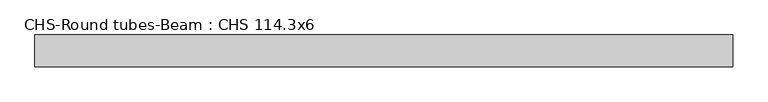
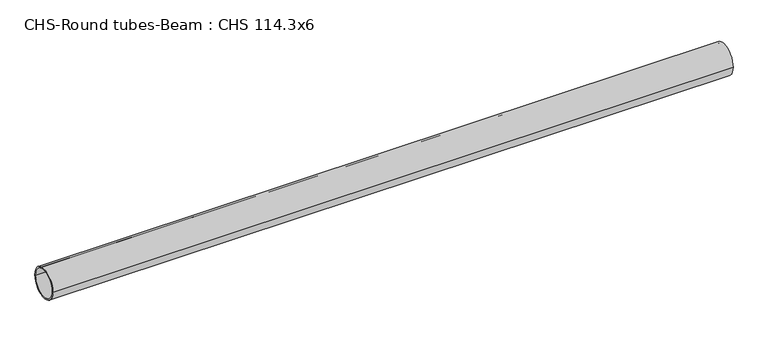
"""IFC4 building model written with IfcOpenShell, lengths in millimetres: beam geometry, CHS-Round tubes-Beam : CHS 114.3x6."""

import ifcopenshell
import ifcopenshell.guid

model = None  # the IFC model being written
_history = None  # IfcOwnerHistory: only IFC2X3 demands one
_inside = {}  # id of a spatial element -> (the spatial element, [elements in it])
_under = {}  # id of a project, library or spatial element -> (it, [spatial elements below it])
_declared = {}  # id of a project -> (the project, [libraries it declares])
_typed = {}  # id of a type object -> (the type object, [elements of that type])
_made_of = {}  # id of a material, layer set ... -> (it, [elements and type objects made of it])


def new_model(schema):
    """Start an empty IFC model of exactly this schema.

    Asked for "IFC4X3", IfcOpenShell would pick the latest addendum, in which some entities
    have other attributes; the version numbers below select the first issue.
    IFC2X3 requires an IfcOwnerHistory on every rooted entity: one is made here for all.
    """
    global model, _history
    if schema == "IFC4X3":
        model = ifcopenshell.file(schema_version=(4, 3, 0, 0))
    else:
        model = ifcopenshell.file(schema=schema)
    _inside.clear()
    _under.clear()
    _declared.clear()
    _typed.clear()
    _made_of.clear()
    _history = None
    if model.schema == "IFC2X3":
        org = make("IfcOrganization", Name="unknown")
        user = make(
            "IfcPersonAndOrganization",
            ThePerson=make("IfcPerson", FamilyName="unknown"),
            TheOrganization=org,
        )
        app = make(
            "IfcApplication",
            ApplicationDeveloper=org,
            Version="unknown",
            ApplicationFullName="unknown",
            ApplicationIdentifier="unknown",
        )
        _history = make(
            "IfcOwnerHistory",
            OwningUser=user,
            OwningApplication=app,
            ChangeAction="ADDED",
            CreationDate=0,
        )
    return model


def make(cls, **values):
    """One entity of the class cls with the attributes given. An attribute that is None is left unset."""
    return model.create_entity(
        cls, **{name: value for name, value in values.items() if value is not None}
    )


def rooted(cls, **values):
    """An entity with a GlobalId (a new one), such as an element, a storey or a relation."""
    return make(cls, GlobalId=ifcopenshell.guid.new(), OwnerHistory=_history, **values)


def si_unit(unit_type, name, prefix=None):
    """IfcSIUnit, for example si_unit("LENGTHUNIT", "METRE", prefix="MILLI")."""
    return make("IfcSIUnit", UnitType=unit_type, Prefix=prefix, Name=name)


def assignment(units):
    """IfcUnitAssignment: the units of a project."""
    return None if units is None else make("IfcUnitAssignment", Units=units)


def point(xyz):
    """IfcCartesianPoint."""
    return None if xyz is None else make("IfcCartesianPoint", Coordinates=xyz)


def direction(xyz):
    """IfcDirection."""
    return None if xyz is None else make("IfcDirection", DirectionRatios=xyz)


def frame(location, z_axis=None, x_axis=None):
    """IfcAxis2Placement3D, a coordinate frame: its origin and axes. An axis left out is left unset."""
    return make(
        "IfcAxis2Placement3D",
        Location=point(location),
        Axis=direction(z_axis),
        RefDirection=direction(x_axis),
    )


def frame_2d(location, x_axis=None):
    """IfcAxis2Placement2D, a coordinate frame in the plane: its origin and x axis."""
    return make(
        "IfcAxis2Placement2D", Location=point(location), RefDirection=direction(x_axis)
    )


def origin():
    """The frame at (0, 0, 0) with its axes left unset."""
    return frame((0.0, 0.0, 0.0))


def origin_2d():
    """The frame at (0, 0) in the plane with its x axis left unset."""
    return frame_2d((0.0, 0.0))


def place(relative_to, where):
    """IfcLocalPlacement: puts the frame where relative to a parent placement (None: the world)."""
    return make(
        "IfcLocalPlacement", PlacementRelTo=relative_to, RelativePlacement=where
    )


def context(
    kind, dimensions, precision=None, world=None, true_north=None, identifier=None
):
    """IfcGeometricRepresentationContext, for example the 3D "Model" context."""
    return make(
        "IfcGeometricRepresentationContext",
        ContextIdentifier=identifier,
        ContextType=kind,
        CoordinateSpaceDimension=dimensions,
        Precision=precision,
        WorldCoordinateSystem=world,
        TrueNorth=true_north,
    )


def project(units=None, contexts=None):
    """IfcProject with its units and contexts."""
    return rooted(
        "IfcProject",
        Name="project",
        RepresentationContexts=contexts,
        UnitsInContext=assignment(units),
    )


def spatial(cls, under=None, at=None, **own):
    """A site, building, storey or space (cls), placed at a placement, below another one or the project."""
    s = rooted(cls, ObjectPlacement=at, **own)
    if under is not None:
        _under.setdefault(under.id(), (under, []))[1].append(s)
    return s


def circle_curve(where, radius):
    """IfcCircle in the frame where."""
    return make("IfcCircle", Position=where, Radius=radius)


def trimmed(basis, trim1, trim2, sense, master):
    """IfcTrimmedCurve: the piece of a basis curve between two trims."""
    return make(
        "IfcTrimmedCurve",
        BasisCurve=basis,
        Trim1=trim1,
        Trim2=trim2,
        SenseAgreement=sense,
        MasterRepresentation=master,
    )


def segment(curve, same_sense, transition):
    """IfcCompositeCurveSegment."""
    return make(
        "IfcCompositeCurveSegment",
        Transition=transition,
        SameSense=same_sense,
        ParentCurve=curve,
    )


def composite_curve(segments, self_intersect=None):
    """IfcCompositeCurve: segments joined end to end."""
    return make("IfcCompositeCurve", Segments=segments, SelfIntersect=self_intersect)


def outline(outer, holes=None, kind="AREA"):
    """IfcArbitraryClosedProfileDef: a profile drawn as a closed curve; with holes, ...WithVoids."""
    if holes is None:
        return make("IfcArbitraryClosedProfileDef", ProfileType=kind, OuterCurve=outer)
    return make(
        "IfcArbitraryProfileDefWithVoids",
        ProfileType=kind,
        OuterCurve=outer,
        InnerCurves=holes,
    )


def extrude(swept, where, along, depth):
    """IfcExtrudedAreaSolid: the profile swept, set in the frame where, extruded along a direction by depth."""
    return make(
        "IfcExtrudedAreaSolid",
        SweptArea=swept,
        Position=where,
        ExtrudedDirection=direction(along),
        Depth=depth,
    )


def shape(context_of_items, identifier, shape_type, items):
    """IfcShapeRepresentation: the items that make up one representation, for example the "Body"."""
    return make(
        "IfcShapeRepresentation",
        ContextOfItems=context_of_items,
        RepresentationIdentifier=identifier,
        RepresentationType=shape_type,
        Items=items,
    )


def source(mapping_origin, context_of_items, identifier, shape_type, items):
    """IfcRepresentationMap: a shape defined once, which mapped items show again and again."""
    return make(
        "IfcRepresentationMap",
        MappingOrigin=mapping_origin,
        MappedRepresentation=shape(context_of_items, identifier, shape_type, items),
    )


def transform(
    local_origin,
    x_axis=None,
    y_axis=None,
    z_axis=None,
    scale=None,
    scale2=None,
    scale3=None,
    uniform=True,
):
    """IfcCartesianTransformationOperator3D, or its non-uniform kind. x_axis, y_axis, z_axis: its Axis1, 2, 3."""
    if uniform:
        return make(
            "IfcCartesianTransformationOperator3D",
            Axis1=direction(x_axis),
            Axis2=direction(y_axis),
            LocalOrigin=point(local_origin),
            Scale=scale,
            Axis3=direction(z_axis),
        )
    return make(
        "IfcCartesianTransformationOperator3DnonUniform",
        Axis1=direction(x_axis),
        Axis2=direction(y_axis),
        LocalOrigin=point(local_origin),
        Scale=scale,
        Axis3=direction(z_axis),
        Scale2=scale2,
        Scale3=scale3,
    )


def mapped(mapping_source, mapping_target):
    """IfcMappedItem: shows the shape of a source again, moved by a transform."""
    return make(
        "IfcMappedItem", MappingSource=mapping_source, MappingTarget=mapping_target
    )


def made_of(thing, what):
    """Note that an element or type object is made of a material, layer set ...; save() writes the relation."""
    if what is not None:
        _made_of.setdefault(what.id(), (what, []))[1].append(thing)
    return thing


def element(
    cls,
    number,
    at=None,
    inside=None,
    cuts=None,
    type_object=None,
    material=None,
    context=None,
    identifier="Body",
    shape_type=None,
    held_by="IfcProductDefinitionShape",
    body=None,
    shapes=None,
    **own,
):
    """One element of the class cls, such as IfcWall. Its Tag is "e" and its number.

    at: its placement. inside: the storey or other place that contains it. cuts: it is an
    opening in that element (IfcRelVoidsElement). A single representation is given by context,
    identifier, shape_type and body (its items); several are given by shapes. held_by: the class
    of the entity that holds the representations. save() writes the other relations.
    """
    e = rooted(cls, Tag="e%d" % number, ObjectPlacement=at, **own)
    if body is not None:
        shapes = [shape(context, identifier, shape_type, body)]
    if shapes is not None:
        e.Representation = make(held_by, Representations=shapes)
    if inside is not None:
        _inside.setdefault(inside.id(), (inside, []))[1].append(e)
    if cuts is not None:
        rooted(
            "IfcRelVoidsElement", RelatingBuildingElement=cuts, RelatedOpeningElement=e
        )
    if type_object is not None:
        _typed.setdefault(type_object.id(), (type_object, []))[1].append(e)
    return made_of(e, material)


def aggregate(whole, parts):
    """IfcRelAggregates: a whole, such as a stair, and the parts it consists of."""
    return rooted("IfcRelAggregates", RelatingObject=whole, RelatedObjects=parts)


def save(model, path):
    """Write the relations noted so far, then the file.

    IfcRelAggregates (storeys below a building ...), IfcRelContainedInSpatialStructure (elements
    in a storey), IfcRelDefinesByType, IfcRelAssociatesMaterial and IfcRelDeclares: one each for
    every whole, place, type object, material and project.
    """
    for whole, parts in _under.values():
        aggregate(whole, parts)
    for where, things in _inside.values():
        rooted(
            "IfcRelContainedInSpatialStructure",
            RelatedElements=things,
            RelatingStructure=where,
        )
    for kind, things in _typed.values():
        rooted("IfcRelDefinesByType", RelatedObjects=things, RelatingType=kind)
    for what, things in _made_of.values():
        rooted("IfcRelAssociatesMaterial", RelatedObjects=things, RelatingMaterial=what)
    for by, libraries in _declared.values():
        rooted("IfcRelDeclares", RelatingContext=by, RelatedDefinitions=libraries)
    model.write(path)


def chs_round_tubes_beam_chs_114_3x6_6011c54a(model_context):
    return source(origin(), model_context, "Body", "SweptSolid", [
        extrude(outline(composite_curve([segment(trimmed(circle_curve(origin_2d(), 57.15), [point((57.15, 0.0))], [point((-57.15, 0.0))], False, "CARTESIAN"), True, "CONTINUOUS"), segment(trimmed(circle_curve(origin_2d(), 57.15), [point((-57.15, 0.0))], [point((57.15, 0.0))], False, "CARTESIAN"), True, "CONTINUOUS")], self_intersect=False), holes=[composite_curve([segment(trimmed(circle_curve(origin_2d(), 51.15), [point((51.15, 0.0))], [point((-51.15, 0.0))], True, "CARTESIAN"), True, "CONTINUOUS"), segment(trimmed(circle_curve(origin_2d(), 51.15), [point((-51.15, 0.0))], [point((51.15, 0.0))], True, "CARTESIAN"), True, "CONTINUOUS")], self_intersect=False)]), frame((-1251.8987786, 0.0, 0.0), z_axis=(1.0, 0.0, 0.0), x_axis=(0.0, 1.0, 0.0)), (0.0, 0.0, 1.0), 2503.3707553),
    ])


if __name__ == "__main__":
    model = new_model("IFC4")
    model_context = context("Model", 3, world=origin())
    ifc_project = project(units=[si_unit("LENGTHUNIT", "METRE", prefix="MILLI")], contexts=[model_context])
    site = spatial("IfcSite", under=ifc_project)
    building = spatial("IfcBuilding", under=site)
    placement = place(None, origin())
    chs_round_tubes_beam_chs_114_3x6_shape = chs_round_tubes_beam_chs_114_3x6_6011c54a(model_context)
    element("IfcBeam", 1, ObjectType="CHS-Round tubes-Beam : CHS 114.3x6", at=placement, inside=building, context=model_context, shape_type="MappedRepresentation", body=[
        mapped(chs_round_tubes_beam_chs_114_3x6_shape, transform((0.0, 0.0, 0.0), x_axis=(1.0, 0.0, 0.0), y_axis=(0.0, 1.0, 0.0), z_axis=(0.0, 0.0, 1.0))),
    ])
    save(model, "model.ifc")
